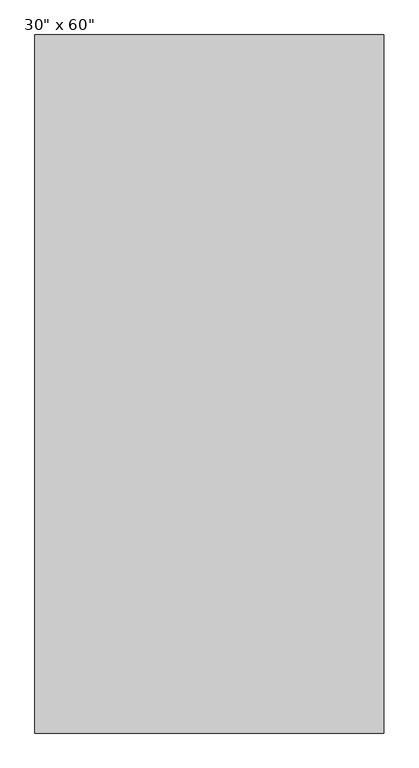
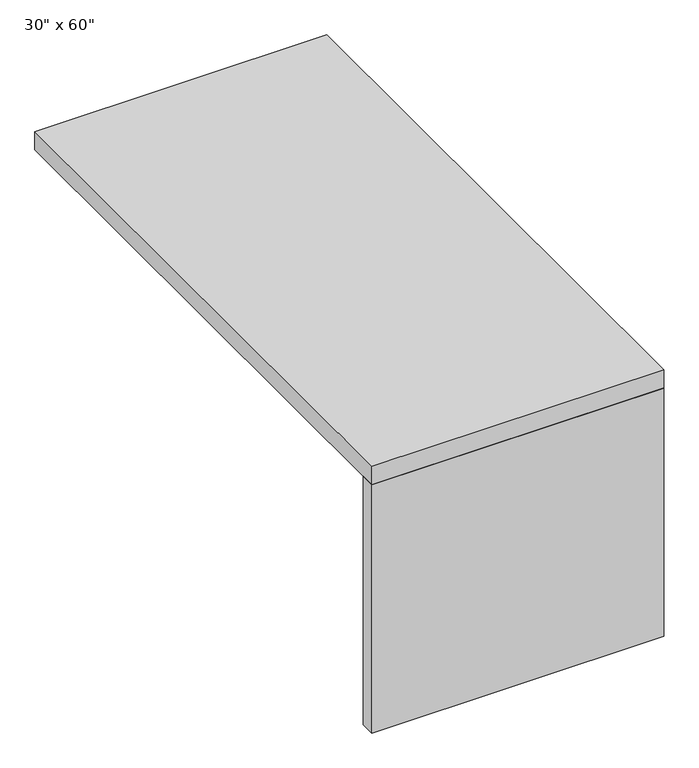
"""IFC4 building model written with IfcOpenShell, lengths in millimetres: furniture geometry."""

from ifc_helpers import new_model, si_unit, frame, origin, origin_with_axes, place, context, project, spatial, polyline, outline, extrude, source, transform, mapped, element, save


def furniture_90d19084(model_context):
    return source(origin(), model_context, "Body", "SweptSolid", [
        extrude(outline(polyline([(-381.0, -723.9), (381.0, -723.9), (381.0, -762.0), (-381.0, -762.0), (-381.0, -723.9)])), origin_with_axes(), (0.0, 0.0, 1.0), 685.8),
        extrude(outline(polyline([(-381.0, -762.0), (-381.0, 762.0), (381.0, 762.0), (381.0, -762.0), (-381.0, -762.0)])), frame((0.0, 0.0, 685.8), z_axis=(0.0, 0.0, 1.0), x_axis=(1.0, 0.0, 0.0)), (0.0, 0.0, 1.0), 50.8),
    ])


if __name__ == "__main__":
    model = new_model("IFC4")
    model_context = context("Model", 3, world=origin())
    ifc_project = project(units=[si_unit("LENGTHUNIT", "METRE", prefix="MILLI")], contexts=[model_context])
    site = spatial("IfcSite", under=ifc_project)
    building = spatial("IfcBuilding", under=site)
    placement = place(None, origin())
    furniture_shape = furniture_90d19084(model_context)
    element("IfcFurniture", 1, ObjectType="30\" x 60\"", at=placement, inside=building, context=model_context, shape_type="MappedRepresentation", body=[
        mapped(furniture_shape, transform((0.0, 0.0, 0.0), x_axis=(1.0, 0.0, 0.0), y_axis=(0.0, 1.0, 0.0), z_axis=(0.0, 0.0, 1.0))),
    ])
    save(model, "model.ifc")
